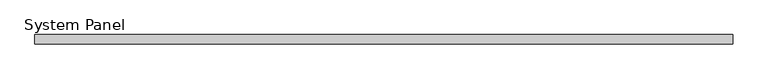
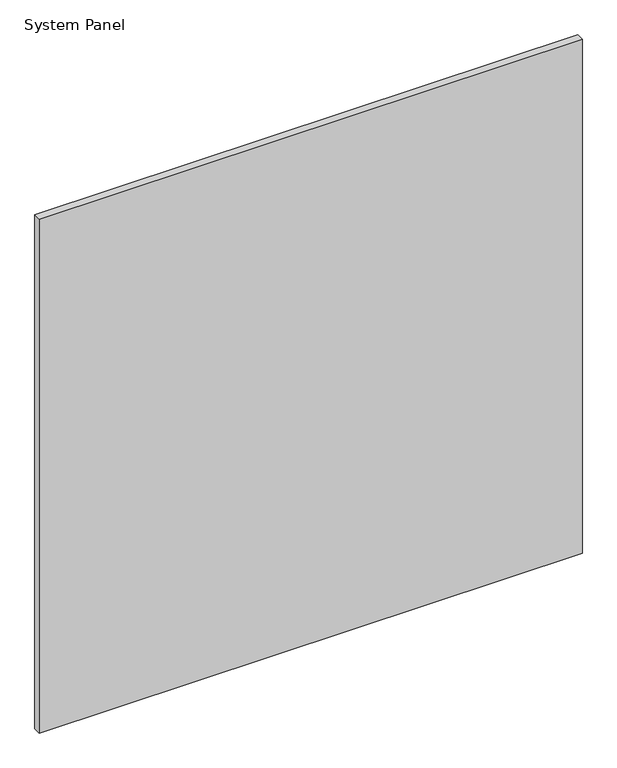
"""IFC4 building model written with IfcOpenShell, lengths in millimetres: plate geometry, System Panel."""

from ifc_helpers import new_model, si_unit, origin, origin_with_axes, place, context, project, spatial, polyline, outline, extrude, source, transform, mapped, element, save


def system_panel_d661bc3e(model_context):
    return source(origin(), model_context, "Body", "SweptSolid", [
        extrude(outline(polyline([(595.0, -8.0), (-595.0, -8.0), (-595.0, 8.0), (595.0, 8.0), (595.0, -8.0)])), origin_with_axes(), (0.0, 0.0, 1.0), 1190.0),
    ])


if __name__ == "__main__":
    model = new_model("IFC4")
    model_context = context("Model", 3, world=origin())
    ifc_project = project(units=[si_unit("LENGTHUNIT", "METRE", prefix="MILLI")], contexts=[model_context])
    site = spatial("IfcSite", under=ifc_project)
    building = spatial("IfcBuilding", under=site)
    placement = place(None, origin())
    system_panel_shape = system_panel_d661bc3e(model_context)
    element("IfcPlate", 1, ObjectType="System Panel", at=placement, inside=building, context=model_context, shape_type="MappedRepresentation", body=[
        mapped(system_panel_shape, transform((0.0, 0.0, 0.0), x_axis=(1.0, 0.0, 0.0), y_axis=(0.0, 1.0, 0.0), z_axis=(0.0, 0.0, 1.0))),
    ])
    save(model, "model.ifc")
